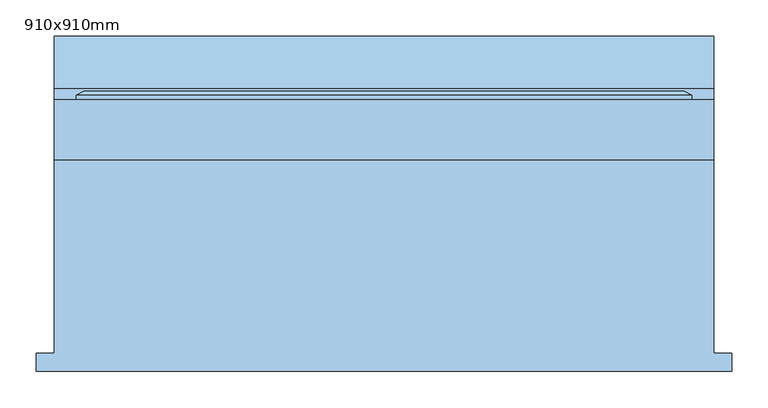
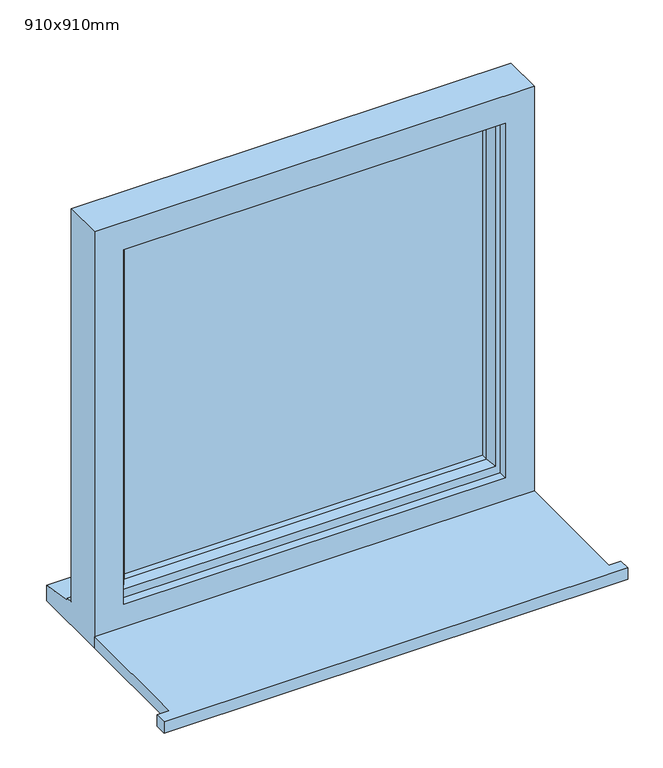
"""IFC4 building model written with IfcOpenShell, lengths in millimetres: window geometry, 910x910mm."""

from ifc_helpers import new_model, si_unit, frame, origin, place, context, project, spatial, polyline, outline, extrude, faceted_brep, source, transform, mapped, element, save


def window_910x910mm_dc4625a1(model_context):
    return source(origin(), model_context, "Body", "SolidModel", [
        extrude(outline(polyline([(-480.0, -216.5434322), (-480.0, -191.5434322), (-455.0, -191.5434322), (-455.0, 75.4565678), (455.0, 75.4565678), (455.0, -191.5434322), (480.0, -191.5434322), (480.0, -216.5434322), (-480.0, -216.5434322)])), frame((0.0, 0.0, 1200.0), z_axis=(0.0, 0.0, 1.0), x_axis=(1.0, 0.0, 0.0)), (0.0, 0.0, 1.0), 25.0),
        faceted_brep([(-455.0, 75.4565678, 1200.0), (455.0, 75.4565678, 1200.0), (455.0, 75.4565678, 2110.0), (-455.0, 75.4565678, 2110.0), (-395.0, 75.4565678, 2050.0), (395.0, 75.4565678, 2050.0), (395.0, 75.4565678, 1275.0), (-395.0, 75.4565678, 1275.0), (-455.0, 158.4565678, 2110.0), (-455.0, 158.4565678, 1251.0), (-455.0, 173.4565678, 1249.68767), (-455.0, 173.4565678, 1244.7449676), (-455.0, 245.9565678, 1233.8088847), (-455.0, 245.9565678, 1200.0), (455.0, 158.4565678, 2110.0), (455.0, 158.4565678, 1251.0), (-415.0, 158.4565678, 2070.0), (-415.0, 158.4565678, 1263.0), (415.0, 158.4565678, 1263.0), (415.0, 158.4565678, 2070.0), (-415.0, 93.4565678, 2070.0), (-415.0, 93.4565678, 1263.0), (415.0, 93.4565678, 2070.0), (415.0, 93.4565678, 1263.0), (-395.0, 93.4565678, 2050.0), (-395.0, 93.4565678, 1275.0), (395.0, 93.4565678, 1275.0), (395.0, 93.4565678, 2050.0), (455.0, 245.9565678, 1200.0), (455.0, 245.9565678, 1233.8088847), (455.0, 173.4565678, 1244.7449676), (455.0, 173.4565678, 1249.68767)], [[[0, 1, 2, 3], [4, 5, 6, 7]], [[0, 3, 8, 9, 10, 11, 12, 13]], [[9, 8, 14, 15], [16, 17, 18, 19]], [[17, 16, 20, 21]], [[20, 22, 23, 21], [24, 25, 26, 27]], [[24, 4, 7, 25]], [[3, 2, 14, 8]], [[16, 19, 22, 20]], [[5, 4, 24, 27]], [[15, 14, 2, 1, 28, 29, 30, 31]], [[19, 18, 23, 22]], [[5, 27, 26, 6]], [[28, 1, 0, 13]], [[29, 28, 13, 12]], [[30, 29, 12, 11]], [[31, 30, 11, 10]], [[15, 31, 10, 9]], [[21, 23, 18, 17]], [[7, 6, 26, 25]]]),
        extrude(outline(polyline([(385.0, 122.4565678), (-385.0, 122.4565678), (-385.0, 146.4565678), (385.0, 146.4565678), (385.0, 122.4565678)])), frame((0.0, 0.0, 1293.0), z_axis=(0.0, 0.0, 1.0), x_axis=(1.0, 0.0, 0.0)), (0.0, 0.0, 1.0), 747.0),
        faceted_brep([(-425.0, 158.4565678, 2080.0), (-425.0, 164.2300705, 2080.0), (-425.0, 164.2300705, 1253.0), (-425.0, 158.4565678, 1253.0), (-415.0, 93.4565678, 2070.0), (-415.0, 158.4565678, 2070.0), (-415.0, 158.4565678, 1263.0), (-415.0, 93.4565678, 1263.0), (-375.0, 107.9494677, 2030.0), (-385.1480377, 93.4565678, 2040.1480377), (-385.1480377, 93.4565678, 1292.8519623), (-375.0, 107.9494677, 1303.0), (-375.0, 122.4565678, 2030.0), (-375.0, 122.4565678, 1303.0), (-385.0, 146.4565678, 2040.0), (-385.0, 122.4565678, 2040.0), (-385.0, 122.4565678, 1293.0), (-385.0, 146.4565678, 1293.0), (-375.0, 164.2300705, 2030.0), (-375.0, 146.4565678, 2030.0), (-375.0, 146.4565678, 1303.0), (-375.0, 164.2300705, 1303.0), (-392.4457548, 170.0035732, 2047.4457548), (-392.4457548, 170.0035732, 1285.5542452), (-414.2153903, 170.0035732, 2069.2153903), (-414.2153903, 170.0035732, 1263.7846097), (425.0, 164.2300705, 1253.0), (425.0, 158.4565678, 1253.0), (415.0, 158.4565678, 1263.0), (415.0, 93.4565678, 1263.0), (385.1480377, 93.4565678, 1292.8519623), (375.0, 107.9494677, 1303.0), (375.0, 122.4565678, 1303.0), (385.0, 122.4565678, 1293.0), (385.0, 146.4565678, 1293.0), (375.0, 146.4565678, 1303.0), (375.0, 164.2300705, 1303.0), (392.4457548, 170.0035732, 1285.5542452), (414.2153903, 170.0035732, 1263.7846097), (425.0, 164.2300705, 2080.0), (425.0, 158.4565678, 2080.0), (415.0, 158.4565678, 2070.0), (415.0, 93.4565678, 2070.0), (385.1480377, 93.4565678, 2040.1480377), (375.0, 107.9494677, 2030.0), (375.0, 122.4565678, 2030.0), (385.0, 122.4565678, 2040.0), (385.0, 146.4565678, 2040.0), (375.0, 146.4565678, 2030.0), (375.0, 164.2300705, 2030.0), (392.4457548, 170.0035732, 2047.4457548), (414.2153903, 170.0035732, 2069.2153903)], [[[0, 1, 2, 3]], [[4, 5, 6, 7]], [[8, 9, 10, 11]], [[12, 8, 11, 13]], [[14, 15, 16, 17]], [[18, 19, 20, 21]], [[22, 18, 21, 23]], [[1, 24, 25, 2]], [[3, 2, 26, 27]], [[7, 6, 28, 29]], [[11, 10, 30, 31]], [[13, 11, 31, 32]], [[17, 16, 33, 34]], [[21, 20, 35, 36]], [[23, 21, 36, 37]], [[2, 25, 38, 26]], [[27, 26, 39, 40]], [[29, 28, 41, 42]], [[31, 30, 43, 44]], [[32, 31, 44, 45]], [[34, 33, 46, 47]], [[36, 35, 48, 49]], [[37, 36, 49, 50]], [[26, 38, 51, 39]], [[40, 39, 1, 0]], [[3, 27, 40, 0], [5, 41, 28, 6]], [[42, 41, 5, 4]], [[7, 29, 42, 4], [9, 43, 30, 10]], [[44, 43, 9, 8]], [[45, 44, 8, 12]], [[15, 46, 33, 16], [13, 32, 45, 12]], [[47, 46, 15, 14]], [[17, 34, 47, 14], [19, 48, 35, 20]], [[49, 48, 19, 18]], [[50, 49, 18, 22]], [[24, 51, 38, 25], [23, 37, 50, 22]], [[39, 51, 24, 1]]]),
    ])


if __name__ == "__main__":
    model = new_model("IFC4")
    model_context = context("Model", 3, world=origin())
    ifc_project = project(units=[si_unit("LENGTHUNIT", "METRE", prefix="MILLI")], contexts=[model_context])
    site = spatial("IfcSite", under=ifc_project)
    building = spatial("IfcBuilding", under=site)
    placement = place(None, origin())
    window_910x910mm_shape = window_910x910mm_dc4625a1(model_context)
    element("IfcWindow", 1, ObjectType="910x910mm", at=placement, inside=building, context=model_context, shape_type="MappedRepresentation", body=[
        mapped(window_910x910mm_shape, transform((0.0, 0.0, 0.0), x_axis=(1.0, 0.0, 0.0), y_axis=(0.0, 1.0, 0.0), z_axis=(0.0, 0.0, 1.0))),
    ])
    save(model, "model.ifc")
